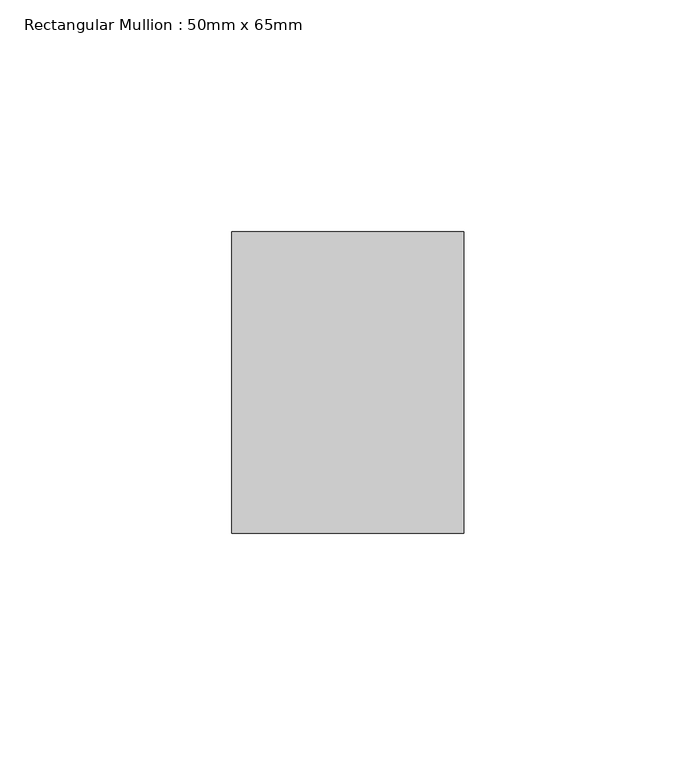
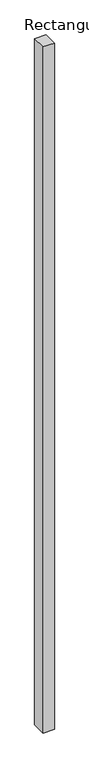
"""IFC4 building model written with IfcOpenShell, lengths in millimetres: member geometry, Rectangular Mullion : 50mm x 65mm."""

from ifc_helpers import new_model, si_unit, frame, origin, place, context, project, spatial, polyline, outline, extrude, source, transform, mapped, element, save


def rectangular_mullion_50mm_x_65mm_75f9822b(model_context):
    return source(origin(), model_context, "Body", "SweptSolid", [
        extrude(outline(polyline([(25.0, 32.5), (25.0, -32.5), (-25.0, -32.5), (-25.0, 32.5), (25.0, 32.5)])), frame((0.0, 0.0, -3235.2680435), z_axis=(0.0, 0.0, 1.0), x_axis=(1.0, 0.0, 0.0)), (0.0, 0.0, 1.0), 3235.2680435),
    ])


if __name__ == "__main__":
    model = new_model("IFC4")
    model_context = context("Model", 3, world=origin())
    ifc_project = project(units=[si_unit("LENGTHUNIT", "METRE", prefix="MILLI")], contexts=[model_context])
    site = spatial("IfcSite", under=ifc_project)
    building = spatial("IfcBuilding", under=site)
    placement = place(None, origin())
    rectangular_mullion_50mm_x_65mm_shape = rectangular_mullion_50mm_x_65mm_75f9822b(model_context)
    element("IfcMember", 1, ObjectType="Rectangular Mullion : 50mm x 65mm", at=placement, inside=building, context=model_context, shape_type="MappedRepresentation", body=[
        mapped(rectangular_mullion_50mm_x_65mm_shape, transform((0.0, 0.0, 0.0), x_axis=(1.0, 0.0, 0.0), y_axis=(0.0, 1.0, 0.0), z_axis=(0.0, 0.0, 1.0))),
    ])
    save(model, "model.ifc")
